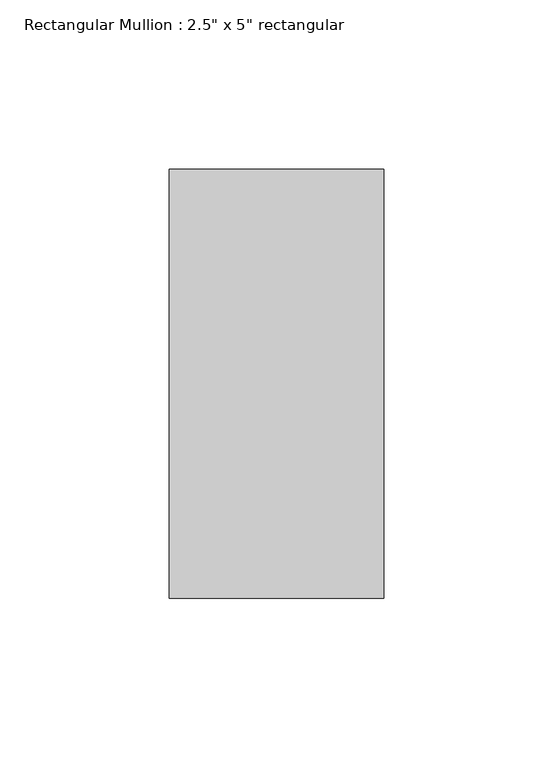
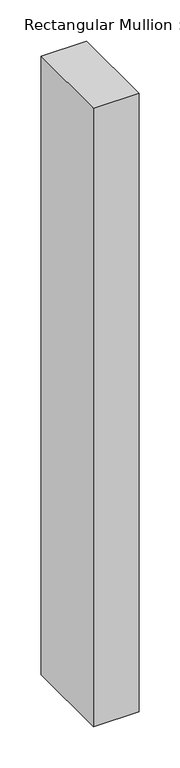
"""IFC4 building model written with IfcOpenShell, lengths in millimetres: member geometry."""

from ifc_helpers import new_model, si_unit, frame, origin, place, context, project, spatial, polyline, outline, extrude, source, transform, mapped, element, save


def member_73c23c35(model_context):
    return source(origin(), model_context, "Body", "SweptSolid", [
        extrude(outline(polyline([(0.0, 63.5), (0.0, -63.5), (-63.5, -63.5), (-63.5, 63.5), (0.0, 63.5)])), frame((0.0, 0.0, -914.4), z_axis=(0.0, 0.0, 1.0), x_axis=(1.0, 0.0, 0.0)), (0.0, 0.0, 1.0), 914.4),
    ])


if __name__ == "__main__":
    model = new_model("IFC4")
    model_context = context("Model", 3, world=origin())
    ifc_project = project(units=[si_unit("LENGTHUNIT", "METRE", prefix="MILLI")], contexts=[model_context])
    site = spatial("IfcSite", under=ifc_project)
    building = spatial("IfcBuilding", under=site)
    placement = place(None, origin())
    member_shape = member_73c23c35(model_context)
    element("IfcMember", 1, ObjectType="Rectangular Mullion : 2.5\" x 5\" rectangular", at=placement, inside=building, context=model_context, shape_type="MappedRepresentation", body=[
        mapped(member_shape, transform((0.0, 0.0, 0.0), x_axis=(1.0, 0.0, 0.0), y_axis=(0.0, 1.0, 0.0), z_axis=(0.0, 0.0, 1.0))),
    ])
    save(model, "model.ifc")
